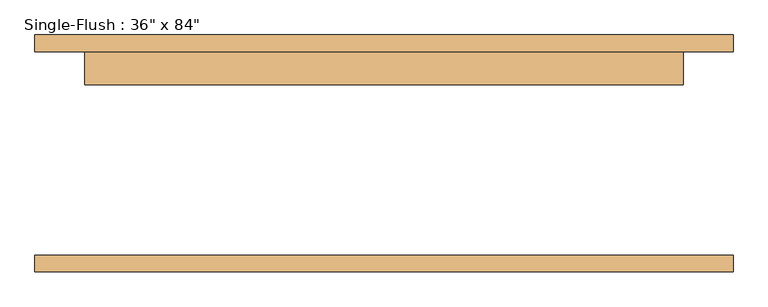
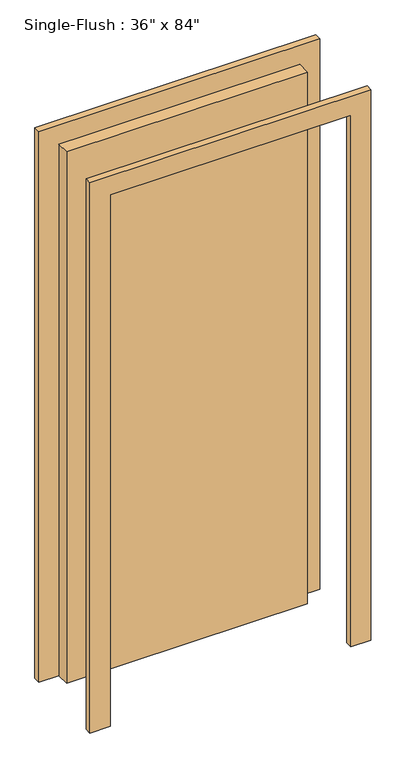
"""IFC4 building model written with IfcOpenShell, lengths in millimetres: door geometry."""

from ifc_helpers import new_model, si_unit, frame, origin, origin_with_axes, place, context, project, spatial, polyline, outline, extrude, source, transform, mapped, element, save


def door_6a894e13(model_context):
    return source(origin(), model_context, "Body", "SweptSolid", [
        extrude(outline(polyline([(2209.8, -533.4), (0.0, -533.4), (0.0, -457.2), (2133.6, -457.2), (2133.6, 457.2), (0.0, 457.2), (0.0, 533.4), (2209.8, 533.4), (2209.8, -533.4)])), frame((0.0, 155.575, 0.0), z_axis=(0.0, 1.0, 0.0), x_axis=(0.0, 0.0, 1.0)), (0.0, 0.0, 1.0), 25.4),
        extrude(outline(polyline([(2209.8, 533.4), (2209.8, -533.4), (0.0, -533.4), (0.0, -457.2), (2133.6, -457.2), (2133.6, 457.2), (0.0, 457.2), (0.0, 533.4), (2209.8, 533.4)])), frame((0.0, -180.975, 0.0), z_axis=(0.0, 1.0, 0.0), x_axis=(0.0, 0.0, 1.0)), (0.0, 0.0, 1.0), 25.4),
        extrude(outline(polyline([(457.2, 104.775), (-457.2, 104.775), (-457.2, 155.575), (457.2, 155.575), (457.2, 104.775)])), origin_with_axes(), (0.0, 0.0, 1.0), 2133.6),
    ])


if __name__ == "__main__":
    model = new_model("IFC4")
    model_context = context("Model", 3, world=origin())
    ifc_project = project(units=[si_unit("LENGTHUNIT", "METRE", prefix="MILLI")], contexts=[model_context])
    site = spatial("IfcSite", under=ifc_project)
    building = spatial("IfcBuilding", under=site)
    placement = place(None, origin())
    door_shape = door_6a894e13(model_context)
    element("IfcDoor", 1, ObjectType="Single-Flush : 36\" x 84\"", at=placement, inside=building, context=model_context, shape_type="MappedRepresentation", body=[
        mapped(door_shape, transform((0.0, 0.0, 0.0), x_axis=(1.0, 0.0, 0.0), y_axis=(0.0, 1.0, 0.0), z_axis=(0.0, 0.0, 1.0))),
    ])
    save(model, "model.ifc")
